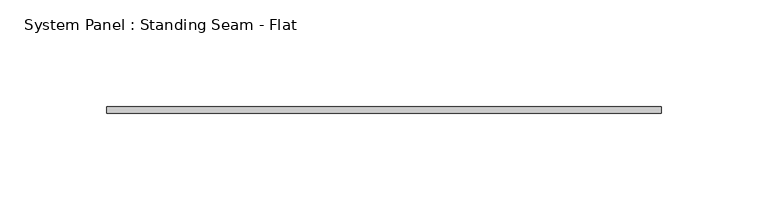
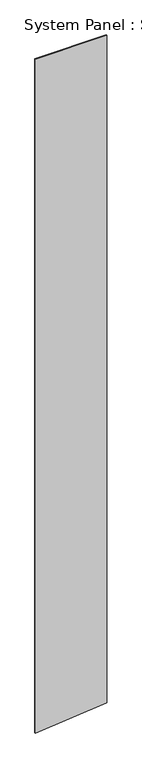
"""IFC4 building model written with IfcOpenShell, lengths in millimetres: plate geometry, System Panel : Standing Seam - Flat."""

from ifc_helpers import new_model, si_unit, frame, origin, place, context, project, spatial, polyline, outline, extrude, source, transform, mapped, element, save


def system_panel_standing_seam_flat_0843b56b(model_context):
    return source(origin(), model_context, "Body", "SweptSolid", [
        extrude(outline(polyline([(0.0, -130.2574705), (26.4728985, 130.2574705), (2598.9109889, 130.2574705), (2598.9109889, -130.2574705), (0.0, -130.2574705)])), frame((0.0, -1.5875, 0.0), z_axis=(0.0, 1.0, 0.0), x_axis=(0.0, 0.0, 1.0)), (0.0, 0.0, 1.0), 3.175),
    ])


if __name__ == "__main__":
    model = new_model("IFC4")
    model_context = context("Model", 3, world=origin())
    ifc_project = project(units=[si_unit("LENGTHUNIT", "METRE", prefix="MILLI")], contexts=[model_context])
    site = spatial("IfcSite", under=ifc_project)
    building = spatial("IfcBuilding", under=site)
    placement = place(None, origin())
    system_panel_standing_seam_flat_shape = system_panel_standing_seam_flat_0843b56b(model_context)
    element("IfcPlate", 1, ObjectType="System Panel : Standing Seam - Flat", at=placement, inside=building, context=model_context, shape_type="MappedRepresentation", body=[
        mapped(system_panel_standing_seam_flat_shape, transform((0.0, 0.0, 0.0), x_axis=(1.0, 0.0, 0.0), y_axis=(0.0, 1.0, 0.0), z_axis=(0.0, 0.0, 1.0))),
    ])
    save(model, "model.ifc")
